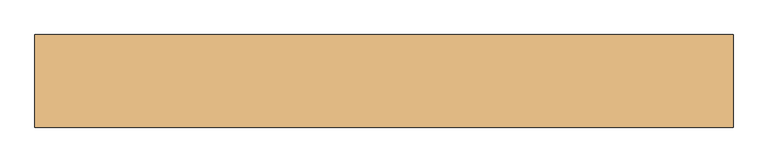
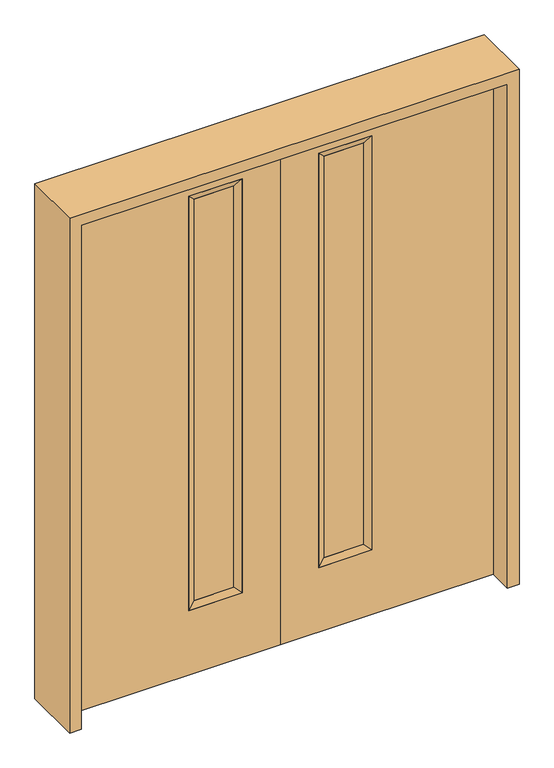
"""IFC4 building model written with IfcOpenShell, lengths in millimetres: door geometry."""

from ifc_helpers import new_model, si_unit, frame, origin, place, context, project, spatial, polyline, outline, extrude, faceted_brep, source, transform, mapped, element, save


def door_feed56ea(model_context):
    return source(origin(), model_context, "Body", "SolidModel", [
        faceted_brep([(-349.25, 22.225, 1930.4), (-349.25, 22.225, 260.35), (-349.25, -22.225, 260.35), (-349.25, -22.225, 1930.4), (-323.85, -12.7039749, 285.75), (-323.85, -12.7039749, 1905.0), (-146.05, 22.225, 260.35), (-146.05, -22.225, 260.35), (-323.85, 14.2875, 1905.0), (-323.85, 14.2875, 285.75), (-171.45, -12.7039749, 285.75), (-171.45, 14.2875, 285.75), (-146.05, 22.225, 1930.4), (-146.05, -22.225, 1930.4), (-171.45, -12.7039749, 1905.0), (-171.45, 14.2875, 1905.0)], [[[0, 1, 2, 3]], [[3, 2, 4, 5]], [[1, 6, 7, 2]], [[8, 9, 1, 0]], [[5, 4, 9, 8]], [[4, 10, 11, 9]], [[2, 7, 10, 4]], [[6, 12, 13, 7]], [[9, 11, 6, 1]], [[10, 14, 15, 11]], [[7, 13, 14, 10]], [[11, 15, 12, 6]], [[12, 0, 3, 13]], [[14, 5, 8, 15]], [[13, 3, 5, 14]], [[15, 8, 0, 12]]]),
        extrude(outline(polyline([(2032.0, 0.0), (2032.0, -812.8), (0.0, -812.8), (0.0, 0.0), (2032.0, 0.0)]), holes=[polyline([(1930.4, -349.25), (1930.4, -146.05), (260.35, -146.05), (260.35, -349.25), (1930.4, -349.25)])]), frame((0.0, -22.225, 0.0), z_axis=(0.0, 1.0, 0.0), x_axis=(0.0, 0.0, 1.0)), (0.0, 0.0, 1.0), 44.45),
        extrude(outline(polyline([(-323.85, -12.7039749), (-323.85, 14.2875), (-171.45, 14.2875), (-171.45, -12.7039749), (-323.85, -12.7039749)])), frame((0.0, 0.0, 285.75), z_axis=(0.0, 0.0, 1.0), x_axis=(1.0, 0.0, 0.0)), (0.0, 0.0, 1.0), 1619.25),
        faceted_brep([(349.25, 22.225, 1930.4), (349.25, -22.225, 1930.4), (349.25, -22.225, 260.35), (349.25, 22.225, 260.35), (323.85, -12.7039749, 1905.0), (323.85, -12.7039749, 285.75), (146.05, -22.225, 260.35), (146.05, 22.225, 260.35), (323.85, 14.2875, 1905.0), (323.85, 14.2875, 285.75), (171.45, 14.2875, 285.75), (171.45, -12.7039749, 285.75), (146.05, -22.225, 1930.4), (146.05, 22.225, 1930.4), (171.45, 14.2875, 1905.0), (171.45, -12.7039749, 1905.0)], [[[0, 1, 2, 3]], [[1, 4, 5, 2]], [[3, 2, 6, 7]], [[8, 0, 3, 9]], [[4, 8, 9, 5]], [[5, 9, 10, 11]], [[2, 5, 11, 6]], [[7, 6, 12, 13]], [[9, 3, 7, 10]], [[11, 10, 14, 15]], [[6, 11, 15, 12]], [[10, 7, 13, 14]], [[13, 12, 1, 0]], [[15, 14, 8, 4]], [[12, 15, 4, 1]], [[14, 13, 0, 8]]]),
        extrude(outline(polyline([(2032.0, 0.0), (0.0, 0.0), (0.0, 812.8), (2032.0, 812.8), (2032.0, 0.0)]), holes=[polyline([(1930.4, 349.25), (260.35, 349.25), (260.35, 146.05), (1930.4, 146.05), (1930.4, 349.25)])]), frame((0.0, -22.225, 0.0), z_axis=(0.0, 1.0, 0.0), x_axis=(0.0, 0.0, 1.0)), (0.0, 0.0, 1.0), 44.45),
        extrude(outline(polyline([(323.85, -12.7039749), (171.45, -12.7039749), (171.45, 14.2875), (323.85, 14.2875), (323.85, -12.7039749)])), frame((0.0, 0.0, 285.75), z_axis=(0.0, 0.0, 1.0), x_axis=(1.0, 0.0, 0.0)), (0.0, 0.0, 1.0), 1619.25),
        extrude(outline(polyline([(0.0, 812.8), (0.0, 857.25), (2076.45, 857.25), (2076.45, -857.25), (0.0, -857.25), (0.0, -812.8), (2032.0, -812.8), (2032.0, 812.8), (0.0, 812.8)])), frame((0.0, -114.3, 0.0), z_axis=(0.0, 1.0, 0.0), x_axis=(0.0, 0.0, 1.0)), (0.0, 0.0, 1.0), 228.6),
    ])


if __name__ == "__main__":
    model = new_model("IFC4")
    model_context = context("Model", 3, world=origin())
    ifc_project = project(units=[si_unit("LENGTHUNIT", "METRE", prefix="MILLI")], contexts=[model_context])
    site = spatial("IfcSite", under=ifc_project)
    building = spatial("IfcBuilding", under=site)
    placement = place(None, origin())
    door_shape = door_feed56ea(model_context)
    element("IfcDoor", 1, at=placement, inside=building, context=model_context, shape_type="MappedRepresentation", body=[
        mapped(door_shape, transform((0.0, 0.0, 0.0), x_axis=(1.0, 0.0, 0.0), y_axis=(0.0, 1.0, 0.0), z_axis=(0.0, 0.0, 1.0))),
    ])
    save(model, "model.ifc")
